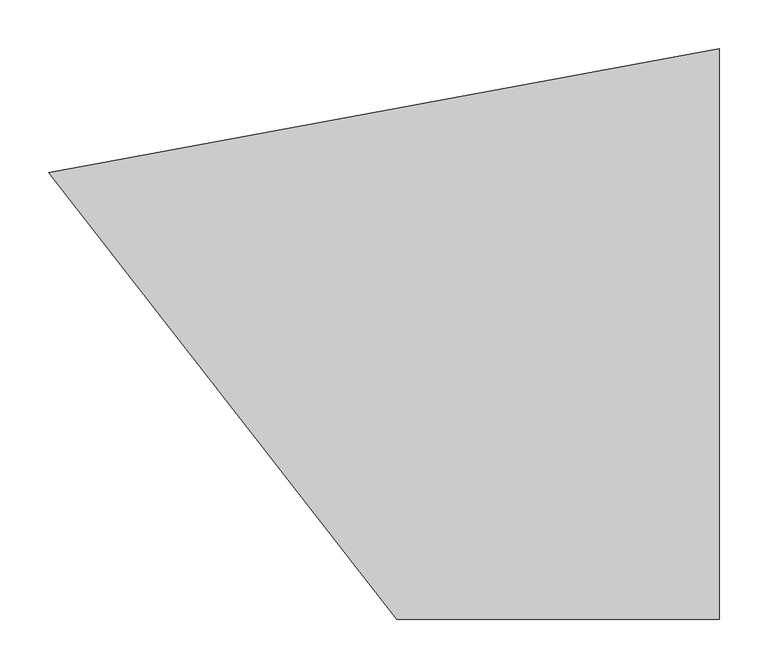
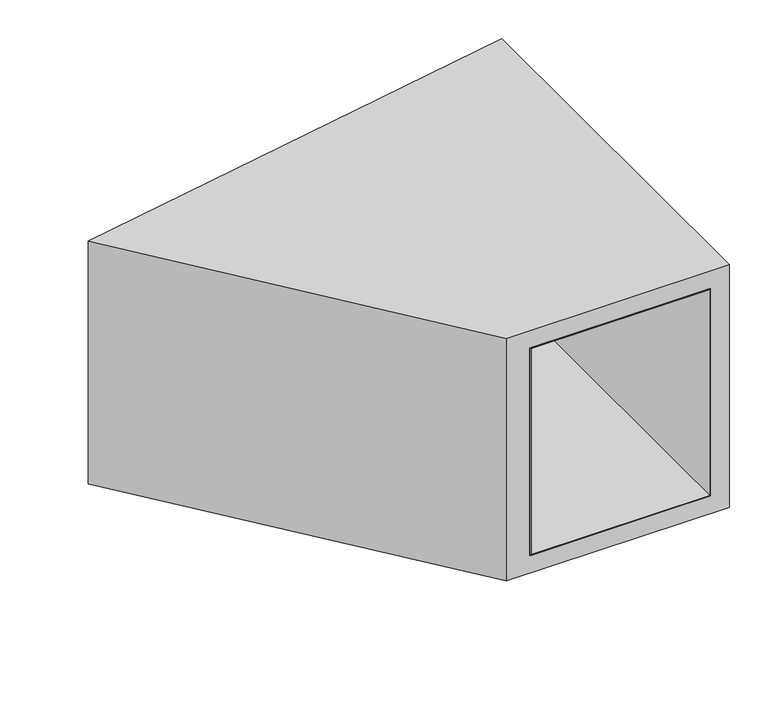
"""IFC4 building model written with IfcOpenShell, lengths in millimetres: furniture geometry."""

from ifc_helpers import new_model, si_unit, point, frame, frame_2d, origin, origin_with_axes, place, context, project, spatial, polyline, circle_curve, trimmed, segment, composite_curve, outline, extrude, faceted_brep, source, transform, mapped, element, save


def furniture_faa06741(model_context):
    return source(origin(), model_context, "Body", "SolidModel", [
        extrude(outline(polyline([(-28.8798, -5.3450123), (-28.8798, -584.2), (-293.6029229, -584.2), (-654.1401583, -121.0668767), (-28.8798, -5.3450123)])), frame((0.0, 0.0, 53.0098003), z_axis=(0.0, 0.0, 1.0), x_axis=(1.0, 0.0, 0.0)), (0.0, 0.0, 1.0), 1.2699997),
        extrude(outline(polyline([(-28.8798, -5.3450121), (-28.8798, -584.2), (-293.6029238, -584.2), (-654.1401592, -121.0668767), (-28.8798, -5.3450121)])), frame((0.0, 0.0, 377.3742), z_axis=(0.0, 0.0, 1.0), x_axis=(1.0, 0.0, 0.0)), (0.0, 0.0, 1.0), 1.0160148),
        extrude(outline(polyline([(-28.8798, -5.3450124), (-27.6097996, -5.1099634), (-27.6097996, -584.2), (-28.8798, -584.2), (-28.8798, -5.3450124)])), frame((0.0, 0.0, 53.0098003), z_axis=(0.0, 0.0, 1.0), x_axis=(1.0, 0.0, 0.0)), (0.0, 0.0, 1.0), 325.3804145),
        extrude(outline(polyline([(-654.1401467, -121.0668915), (-293.6008661, -584.1999904), (-295.210327, -584.1999904), (-655.5469207, -121.3272543), (-654.1401467, -121.0668915)])), frame((0.0, 0.0, 53.0098003), z_axis=(0.0, 0.0, 1.0), x_axis=(1.0, 0.0, 0.0)), (0.0, 0.0, 1.0), 325.3804145),
        extrude(outline(composite_curve([segment(trimmed(circle_curve(frame_2d((-303.6026265, -530.8298119)), 17.272), [point((-320.8746265, -530.8298119))], [point((-286.3306265, -530.8298119))], False, "CARTESIAN"), True, "CONTINUOUS"), segment(trimmed(circle_curve(frame_2d((-303.6026265, -530.8298119)), 17.272), [point((-286.3306265, -530.8298119))], [point((-320.8746265, -530.8298119))], False, "CARTESIAN"), True, "CONTINUOUS")], self_intersect=False)), origin_with_axes(), (0.0, 0.0, 1.0), 13.97),
        extrude(outline(composite_curve([segment(trimmed(circle_curve(frame_2d((-54.1946691, -530.8298119)), 17.272), [point((-71.4666691, -530.8298119))], [point((-36.9226691, -530.8298119))], False, "CARTESIAN"), True, "CONTINUOUS"), segment(trimmed(circle_curve(frame_2d((-54.1946691, -530.8298119)), 17.272), [point((-36.9226691, -530.8298119))], [point((-71.4666691, -530.8298119))], False, "CARTESIAN"), True, "CONTINUOUS")], self_intersect=False)), origin_with_axes(), (0.0, 0.0, 1.0), 13.97),
        extrude(outline(composite_curve([segment(trimmed(circle_curve(frame_2d((-54.1946691, -64.3766294)), 17.272), [point((-71.4666691, -64.3766294))], [point((-36.9226691, -64.3766294))], False, "CARTESIAN"), True, "CONTINUOUS"), segment(trimmed(circle_curve(frame_2d((-54.1946691, -64.3766294)), 17.272), [point((-36.9226691, -64.3766294))], [point((-71.4666691, -64.3766294))], False, "CARTESIAN"), True, "CONTINUOUS")], self_intersect=False)), origin_with_axes(), (0.0, 0.0, 1.0), 13.97),
        extrude(outline(composite_curve([segment(trimmed(circle_curve(frame_2d((-589.7671168, -163.6088416)), 17.272), [point((-607.0391168, -163.6088416))], [point((-572.4951168, -163.6088416))], False, "CARTESIAN"), True, "CONTINUOUS"), segment(trimmed(circle_curve(frame_2d((-589.7671168, -163.6088416)), 17.272), [point((-572.4951168, -163.6088416))], [point((-607.0391168, -163.6088416))], False, "CARTESIAN"), True, "CONTINUOUS")], self_intersect=False)), origin_with_axes(), (0.0, 0.0, 1.0), 13.97),
        faceted_brep([(-686.1302102, -126.9875278, 406.0), (-330.2000121, -584.1999879, 406.0), (0.0, -584.1999879, 406.0), (0.0, 0.0, 406.0), (-686.1302102, -126.9875278, 25.4000008), (0.0, 0.0, 25.4000008), (0.0, -584.1999879, 25.4000008), (-330.2000121, -584.1999879, 25.4000008), (-295.2103195, -584.1999879, 378.3902148), (-27.6097996, -584.1999879, 378.3902148), (-27.6097996, -584.1999879, 53.0098003), (-295.2103195, -584.1999879, 53.0098003), (-27.6097996, -5.1099633, 378.3902148), (-655.5469323, -121.3272394, 378.3902148), (-655.5469323, -121.3272394, 53.0098003), (-27.6097996, -5.1099633, 53.0098003)], [[[0, 1, 2, 3]], [[4, 5, 6, 7]], [[1, 0, 4, 7]], [[2, 1, 7, 6], [8, 9, 10, 11]], [[3, 2, 6, 5]], [[0, 3, 5, 4], [12, 13, 14, 15]], [[8, 13, 12, 9]], [[10, 15, 14, 11]], [[9, 12, 15, 10]], [[13, 8, 11, 14]]]),
        extrude(outline(composite_curve([segment(trimmed(circle_curve(frame_2d((-303.2565091, -530.7936073)), 4.826), [point((-308.0825091, -530.7936073))], [point((-298.4305091, -530.7936073))], False, "CARTESIAN"), True, "CONTINUOUS"), segment(trimmed(circle_curve(frame_2d((-303.2565091, -530.7936073)), 4.826), [point((-298.4305091, -530.7936073))], [point((-308.0825091, -530.7936073))], False, "CARTESIAN"), True, "CONTINUOUS")], self_intersect=False)), frame((0.0, 0.0, 13.97), z_axis=(0.0, 0.0, 1.0), x_axis=(1.0, 0.0, 0.0)), (0.0, 0.0, 1.0), 11.4300008),
        extrude(outline(composite_curve([segment(trimmed(circle_curve(frame_2d((-53.8485517, -530.7936073)), 4.826), [point((-58.6745517, -530.7936073))], [point((-49.0225517, -530.7936073))], False, "CARTESIAN"), True, "CONTINUOUS"), segment(trimmed(circle_curve(frame_2d((-53.8485517, -530.7936073)), 4.826), [point((-49.0225517, -530.7936073))], [point((-58.6745517, -530.7936073))], False, "CARTESIAN"), True, "CONTINUOUS")], self_intersect=False)), frame((0.0, 0.0, 13.97), z_axis=(0.0, 0.0, 1.0), x_axis=(1.0, 0.0, 0.0)), (0.0, 0.0, 1.0), 11.4300008),
        extrude(outline(composite_curve([segment(trimmed(circle_curve(frame_2d((-53.8485517, -64.3404248)), 4.826), [point((-58.6745517, -64.3404248))], [point((-49.0225517, -64.3404248))], False, "CARTESIAN"), True, "CONTINUOUS"), segment(trimmed(circle_curve(frame_2d((-53.8485517, -64.3404248)), 4.826), [point((-49.0225517, -64.3404248))], [point((-58.6745517, -64.3404248))], False, "CARTESIAN"), True, "CONTINUOUS")], self_intersect=False)), frame((0.0, 0.0, 13.97), z_axis=(0.0, 0.0, 1.0), x_axis=(1.0, 0.0, 0.0)), (0.0, 0.0, 1.0), 11.4300008),
        extrude(outline(composite_curve([segment(trimmed(circle_curve(frame_2d((-589.4209994, -163.5726371)), 4.826), [point((-594.2469994, -163.5726371))], [point((-584.5949994, -163.5726371))], False, "CARTESIAN"), True, "CONTINUOUS"), segment(trimmed(circle_curve(frame_2d((-589.4209994, -163.5726371)), 4.826), [point((-584.5949994, -163.5726371))], [point((-594.2469994, -163.5726371))], False, "CARTESIAN"), True, "CONTINUOUS")], self_intersect=False)), frame((0.0, 0.0, 13.97), z_axis=(0.0, 0.0, 1.0), x_axis=(1.0, 0.0, 0.0)), (0.0, 0.0, 1.0), 11.4300008),
    ])


if __name__ == "__main__":
    model = new_model("IFC4")
    model_context = context("Model", 3, world=origin())
    ifc_project = project(units=[si_unit("LENGTHUNIT", "METRE", prefix="MILLI")], contexts=[model_context])
    site = spatial("IfcSite", under=ifc_project)
    building = spatial("IfcBuilding", under=site)
    placement = place(None, origin())
    furniture_shape = furniture_faa06741(model_context)
    element("IfcFurniture", 1, at=placement, inside=building, context=model_context, shape_type="MappedRepresentation", body=[
        mapped(furniture_shape, transform((0.0, 0.0, 0.0), x_axis=(1.0, 0.0, 0.0), y_axis=(0.0, 1.0, 0.0), z_axis=(0.0, 0.0, 1.0))),
    ])
    save(model, "model.ifc")
